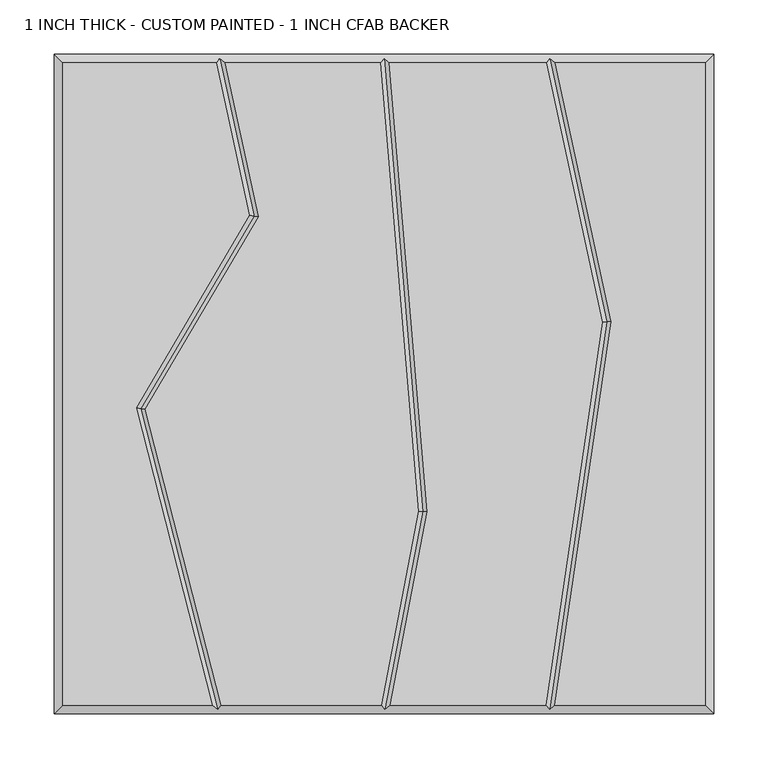
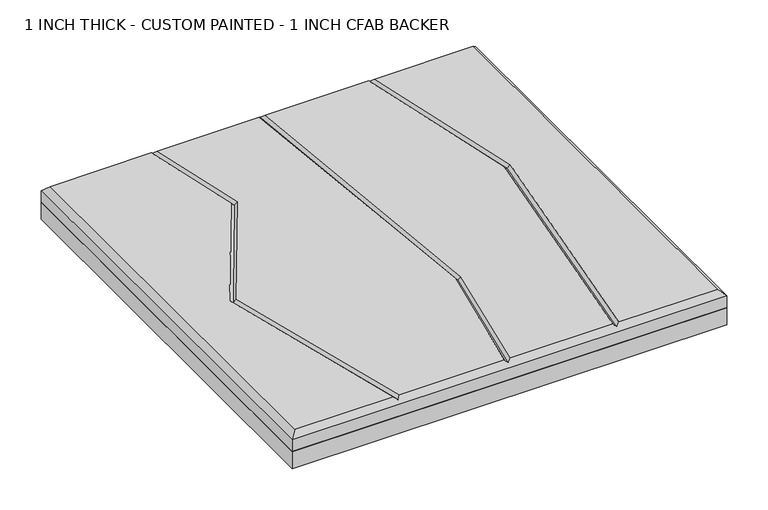
"""IFC4 building model written with IfcOpenShell, lengths in millimetres: proxy geometry, 1 INCH THICK - CUSTOM PAINTED - 1 INCH CFAB BACKER."""

from ifc_helpers import new_model, si_unit, frame, origin, place, context, project, spatial, polyline, outline, extrude, faceted_brep, source, transform, mapped, element, save


def proxy_1_inch_thick_custom_painted_1_inch_cfab_backer_eec5e1f5(model_context):
    return source(origin(), model_context, "Body", "SolidModel", [
        extrude(outline(polyline([(-304.8, 304.8), (304.8, 304.8), (304.8, -304.8), (-304.8, -304.8), (-304.8, 304.8)])), frame((0.0, 0.0, -25.4), z_axis=(0.0, 0.0, 1.0), x_axis=(1.0, 0.0, 0.0)), (0.0, 0.0, 1.0), 25.4),
        faceted_brep([(-296.799, 296.799, 25.4), (-296.799, -296.799, 25.4), (-158.5803507, -296.799, 25.4), (-228.9486116, -22.1618467, 25.4), (-124.326786, 155.8449273, 25.4), (-154.765405, 296.799, 25.4), (296.799, -296.799, 25.4), (296.799, 296.799, 25.4), (158.2217247, 296.799, 25.4), (209.9251981, 57.4644259, 25.4), (157.6255242, -296.799, 25.4), (-220.3791386, -23.3717887, 25.4), (-150.3208923, -296.799, 25.4), (-2.5427901, -296.799, 25.4), (31.7252909, -117.6291285, 25.4), (-3.3378716, 296.799, 25.4), (-146.5799748, 296.799, 25.4), (-115.8470875, 154.4822402, 25.4), (39.7905877, -118.051219, 25.4), (5.6032358, -296.799, 25.4), (149.5378056, -296.799, 25.4), (201.7977561, 57.1953504, 25.4), (150.0361542, 296.799, 25.4), (4.6917137, 296.799, 25.4), (-304.8, 304.8, 0.0), (304.8, 304.8, 0.0), (304.8, -304.8, 0.0), (-304.8, -304.8, 0.0), (-304.8, -304.8, 17.399), (-304.8, 304.8, 17.399), (304.8, -304.8, 17.399), (304.8, 304.8, 17.399), (-151.5365862, 300.7995, 21.3995), (0.3384542, 300.7995, 21.3995), (153.264711, 300.7995, 21.3995), (152.9910738, -300.7995, 21.3995), (0.7650861, -300.7995, 21.3995), (-153.4256028, -300.7995, 21.3995), (-224.6638751, -22.7668177, 21.3995), (-120.0869367, 155.1635838, 21.3995), (35.7579393, -117.8401737, 21.3995), (205.8614771, 57.3298882, 21.3995)], [[[0, 1, 2, 3, 4, 5]], [[6, 7, 8, 9, 10]], [[11, 12, 13, 14, 15, 16, 17]], [[18, 19, 20, 21, 22, 23]], [[24, 25, 26, 27]], [[24, 27, 28, 29]], [[27, 26, 30, 28]], [[26, 25, 31, 30]], [[25, 24, 29, 31]], [[29, 0, 5, 32, 16, 15, 33, 23, 22, 34, 8, 7, 31]], [[0, 29, 28, 1]], [[1, 28, 30, 6, 10, 35, 20, 19, 36, 13, 12, 37, 2]], [[31, 7, 6, 30]], [[38, 3, 2, 37]], [[11, 38, 37, 12]], [[3, 38, 39, 4]], [[38, 11, 17, 39]], [[4, 39, 32, 5]], [[39, 17, 16, 32]], [[40, 14, 13, 36]], [[18, 40, 36, 19]], [[14, 40, 33, 15]], [[40, 18, 23, 33]], [[41, 21, 20, 35]], [[9, 41, 35, 10]], [[21, 41, 34, 22]], [[41, 9, 8, 34]]]),
    ])


if __name__ == "__main__":
    model = new_model("IFC4")
    model_context = context("Model", 3, world=origin())
    ifc_project = project(units=[si_unit("LENGTHUNIT", "METRE", prefix="MILLI")], contexts=[model_context])
    site = spatial("IfcSite", under=ifc_project)
    building = spatial("IfcBuilding", under=site)
    placement = place(None, origin())
    proxy_1_inch_thick_custom_painted_1_inch_cfab_backer_shape = proxy_1_inch_thick_custom_painted_1_inch_cfab_backer_eec5e1f5(model_context)
    element("IfcBuildingElementProxy", 1, Name="1 INCH THICK - CUSTOM PAINTED - 1 INCH CFAB BACKER", ObjectType="1 INCH THICK - CUSTOM PAINTED - 1 INCH CFAB BACKER", at=placement, inside=building, context=model_context, shape_type="MappedRepresentation", body=[
        mapped(proxy_1_inch_thick_custom_painted_1_inch_cfab_backer_shape, transform((0.0, 0.0, 0.0), x_axis=(1.0, 0.0, 0.0), y_axis=(0.0, 1.0, 0.0), z_axis=(0.0, 0.0, 1.0))),
    ])
    save(model, "model.ifc")
